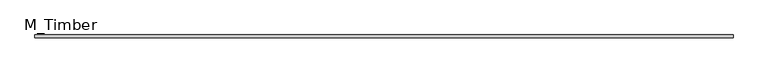
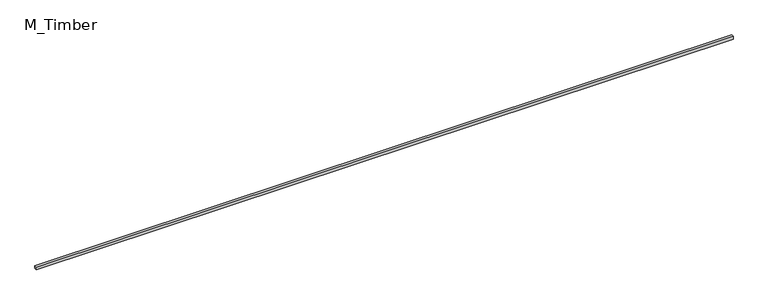
"""IFC4 building model written with IfcOpenShell, lengths in millimetres: beam geometry, M_Timber."""

from ifc_helpers import new_model, si_unit, frame, origin, place, context, project, spatial, polyline, outline, extrude, source, transform, mapped, element, save


def m_timber_62b76157(model_context):
    return source(origin(), model_context, "Body", "SweptSolid", [
        extrude(outline(polyline([(7639.7063059, 30.0), (7639.7063059, -30.0), (-7639.7063059, -30.0), (-7639.7063059, 30.0), (7639.7063059, 30.0)])), frame((0.0, 0.0, -30.0), z_axis=(0.0, 0.0, 1.0), x_axis=(1.0, 0.0, 0.0)), (0.0, 0.0, 1.0), 60.0),
    ])


if __name__ == "__main__":
    model = new_model("IFC4")
    model_context = context("Model", 3, world=origin())
    ifc_project = project(units=[si_unit("LENGTHUNIT", "METRE", prefix="MILLI")], contexts=[model_context])
    site = spatial("IfcSite", under=ifc_project)
    building = spatial("IfcBuilding", under=site)
    placement = place(None, origin())
    m_timber_shape = m_timber_62b76157(model_context)
    element("IfcBeam", 1, ObjectType="M_Timber", at=placement, inside=building, context=model_context, shape_type="MappedRepresentation", body=[
        mapped(m_timber_shape, transform((0.0, 0.0, 0.0), x_axis=(1.0, 0.0, 0.0), y_axis=(0.0, 1.0, 0.0), z_axis=(0.0, 0.0, 1.0))),
    ])
    save(model, "model.ifc")
